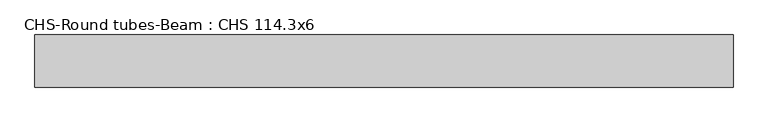
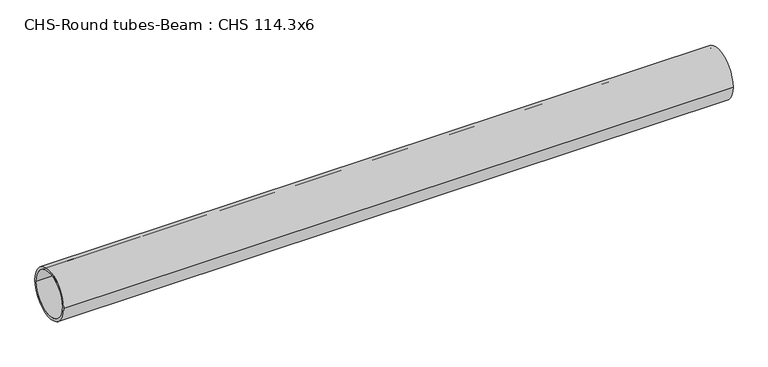
"""IFC4 building model written with IfcOpenShell, lengths in millimetres: beam geometry, CHS-Round tubes-Beam : CHS 114.3x6."""

from ifc_helpers import new_model, si_unit, point, frame, origin, origin_2d, place, context, project, spatial, circle_curve, trimmed, segment, composite_curve, outline, extrude, source, transform, mapped, element, save


def chs_round_tubes_beam_chs_114_3x6_a10b191b(model_context):
    return source(origin(), model_context, "Body", "SweptSolid", [
        extrude(outline(composite_curve([segment(trimmed(circle_curve(origin_2d(), 57.15), [point((57.15, 0.0))], [point((-57.15, 0.0))], False, "CARTESIAN"), True, "CONTINUOUS"), segment(trimmed(circle_curve(origin_2d(), 57.15), [point((-57.15, 0.0))], [point((57.15, 0.0))], False, "CARTESIAN"), True, "CONTINUOUS")], self_intersect=False), holes=[composite_curve([segment(trimmed(circle_curve(origin_2d(), 51.15), [point((51.15, 0.0))], [point((-51.15, 0.0))], True, "CARTESIAN"), True, "CONTINUOUS"), segment(trimmed(circle_curve(origin_2d(), 51.15), [point((-51.15, 0.0))], [point((51.15, 0.0))], True, "CARTESIAN"), True, "CONTINUOUS")], self_intersect=False)]), frame((-736.3784188, 0.0, 0.0), z_axis=(1.0, 0.0, 0.0), x_axis=(0.0, 1.0, 0.0)), (0.0, 0.0, 1.0), 1531.7550781),
    ])


if __name__ == "__main__":
    model = new_model("IFC4")
    model_context = context("Model", 3, world=origin())
    ifc_project = project(units=[si_unit("LENGTHUNIT", "METRE", prefix="MILLI")], contexts=[model_context])
    site = spatial("IfcSite", under=ifc_project)
    building = spatial("IfcBuilding", under=site)
    placement = place(None, origin())
    chs_round_tubes_beam_chs_114_3x6_shape = chs_round_tubes_beam_chs_114_3x6_a10b191b(model_context)
    element("IfcBeam", 1, ObjectType="CHS-Round tubes-Beam : CHS 114.3x6", at=placement, inside=building, context=model_context, shape_type="MappedRepresentation", body=[
        mapped(chs_round_tubes_beam_chs_114_3x6_shape, transform((0.0, 0.0, 0.0), x_axis=(1.0, 0.0, 0.0), y_axis=(0.0, 1.0, 0.0), z_axis=(0.0, 0.0, 1.0))),
    ])
    save(model, "model.ifc")
